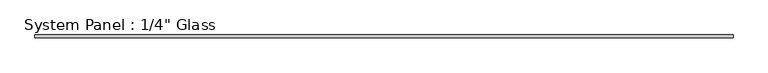
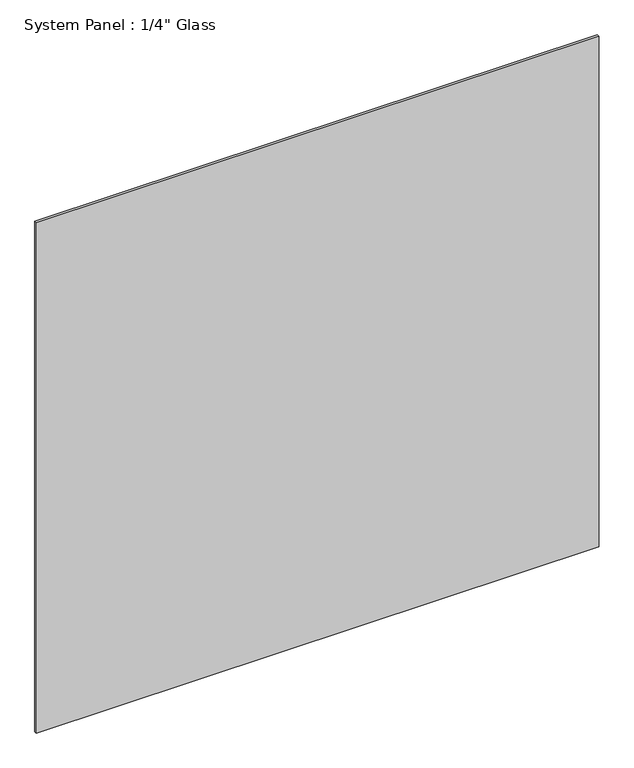
"""IFC4 building model written with IfcOpenShell, lengths in millimetres: plate geometry."""

import ifcopenshell
import ifcopenshell.guid

model = None  # the IFC model being written
_history = None  # IfcOwnerHistory: only IFC2X3 demands one
_inside = {}  # id of a spatial element -> (the spatial element, [elements in it])
_under = {}  # id of a project, library or spatial element -> (it, [spatial elements below it])
_declared = {}  # id of a project -> (the project, [libraries it declares])
_typed = {}  # id of a type object -> (the type object, [elements of that type])
_made_of = {}  # id of a material, layer set ... -> (it, [elements and type objects made of it])


def new_model(schema):
    """Start an empty IFC model of exactly this schema.

    Asked for "IFC4X3", IfcOpenShell would pick the latest addendum, in which some entities
    have other attributes; the version numbers below select the first issue.
    IFC2X3 requires an IfcOwnerHistory on every rooted entity: one is made here for all.
    """
    global model, _history
    if schema == "IFC4X3":
        model = ifcopenshell.file(schema_version=(4, 3, 0, 0))
    else:
        model = ifcopenshell.file(schema=schema)
    _inside.clear()
    _under.clear()
    _declared.clear()
    _typed.clear()
    _made_of.clear()
    _history = None
    if model.schema == "IFC2X3":
        org = make("IfcOrganization", Name="unknown")
        user = make(
            "IfcPersonAndOrganization",
            ThePerson=make("IfcPerson", FamilyName="unknown"),
            TheOrganization=org,
        )
        app = make(
            "IfcApplication",
            ApplicationDeveloper=org,
            Version="unknown",
            ApplicationFullName="unknown",
            ApplicationIdentifier="unknown",
        )
        _history = make(
            "IfcOwnerHistory",
            OwningUser=user,
            OwningApplication=app,
            ChangeAction="ADDED",
            CreationDate=0,
        )
    return model


def make(cls, **values):
    """One entity of the class cls with the attributes given. An attribute that is None is left unset."""
    return model.create_entity(
        cls, **{name: value for name, value in values.items() if value is not None}
    )


def rooted(cls, **values):
    """An entity with a GlobalId (a new one), such as an element, a storey or a relation."""
    return make(cls, GlobalId=ifcopenshell.guid.new(), OwnerHistory=_history, **values)


def si_unit(unit_type, name, prefix=None):
    """IfcSIUnit, for example si_unit("LENGTHUNIT", "METRE", prefix="MILLI")."""
    return make("IfcSIUnit", UnitType=unit_type, Prefix=prefix, Name=name)


def assignment(units):
    """IfcUnitAssignment: the units of a project."""
    return None if units is None else make("IfcUnitAssignment", Units=units)


def point(xyz):
    """IfcCartesianPoint."""
    return None if xyz is None else make("IfcCartesianPoint", Coordinates=xyz)


def direction(xyz):
    """IfcDirection."""
    return None if xyz is None else make("IfcDirection", DirectionRatios=xyz)


def frame(location, z_axis=None, x_axis=None):
    """IfcAxis2Placement3D, a coordinate frame: its origin and axes. An axis left out is left unset."""
    return make(
        "IfcAxis2Placement3D",
        Location=point(location),
        Axis=direction(z_axis),
        RefDirection=direction(x_axis),
    )


def origin():
    """The frame at (0, 0, 0) with its axes left unset."""
    return frame((0.0, 0.0, 0.0))


def origin_with_axes():
    """The frame at (0, 0, 0) with the z axis (0, 0, 1) and the x axis (1, 0, 0) written out."""
    return frame((0.0, 0.0, 0.0), z_axis=(0.0, 0.0, 1.0), x_axis=(1.0, 0.0, 0.0))


def place(relative_to, where):
    """IfcLocalPlacement: puts the frame where relative to a parent placement (None: the world)."""
    return make(
        "IfcLocalPlacement", PlacementRelTo=relative_to, RelativePlacement=where
    )


def context(
    kind, dimensions, precision=None, world=None, true_north=None, identifier=None
):
    """IfcGeometricRepresentationContext, for example the 3D "Model" context."""
    return make(
        "IfcGeometricRepresentationContext",
        ContextIdentifier=identifier,
        ContextType=kind,
        CoordinateSpaceDimension=dimensions,
        Precision=precision,
        WorldCoordinateSystem=world,
        TrueNorth=true_north,
    )


def project(units=None, contexts=None):
    """IfcProject with its units and contexts."""
    return rooted(
        "IfcProject",
        Name="project",
        RepresentationContexts=contexts,
        UnitsInContext=assignment(units),
    )


def spatial(cls, under=None, at=None, **own):
    """A site, building, storey or space (cls), placed at a placement, below another one or the project."""
    s = rooted(cls, ObjectPlacement=at, **own)
    if under is not None:
        _under.setdefault(under.id(), (under, []))[1].append(s)
    return s


def polyline(points):
    """IfcPolyline through the points."""
    return make("IfcPolyline", Points=[point(p) for p in points])


def outline(outer, holes=None, kind="AREA"):
    """IfcArbitraryClosedProfileDef: a profile drawn as a closed curve; with holes, ...WithVoids."""
    if holes is None:
        return make("IfcArbitraryClosedProfileDef", ProfileType=kind, OuterCurve=outer)
    return make(
        "IfcArbitraryProfileDefWithVoids",
        ProfileType=kind,
        OuterCurve=outer,
        InnerCurves=holes,
    )


def extrude(swept, where, along, depth):
    """IfcExtrudedAreaSolid: the profile swept, set in the frame where, extruded along a direction by depth."""
    return make(
        "IfcExtrudedAreaSolid",
        SweptArea=swept,
        Position=where,
        ExtrudedDirection=direction(along),
        Depth=depth,
    )


def shape(context_of_items, identifier, shape_type, items):
    """IfcShapeRepresentation: the items that make up one representation, for example the "Body"."""
    return make(
        "IfcShapeRepresentation",
        ContextOfItems=context_of_items,
        RepresentationIdentifier=identifier,
        RepresentationType=shape_type,
        Items=items,
    )


def source(mapping_origin, context_of_items, identifier, shape_type, items):
    """IfcRepresentationMap: a shape defined once, which mapped items show again and again."""
    return make(
        "IfcRepresentationMap",
        MappingOrigin=mapping_origin,
        MappedRepresentation=shape(context_of_items, identifier, shape_type, items),
    )


def transform(
    local_origin,
    x_axis=None,
    y_axis=None,
    z_axis=None,
    scale=None,
    scale2=None,
    scale3=None,
    uniform=True,
):
    """IfcCartesianTransformationOperator3D, or its non-uniform kind. x_axis, y_axis, z_axis: its Axis1, 2, 3."""
    if uniform:
        return make(
            "IfcCartesianTransformationOperator3D",
            Axis1=direction(x_axis),
            Axis2=direction(y_axis),
            LocalOrigin=point(local_origin),
            Scale=scale,
            Axis3=direction(z_axis),
        )
    return make(
        "IfcCartesianTransformationOperator3DnonUniform",
        Axis1=direction(x_axis),
        Axis2=direction(y_axis),
        LocalOrigin=point(local_origin),
        Scale=scale,
        Axis3=direction(z_axis),
        Scale2=scale2,
        Scale3=scale3,
    )


def mapped(mapping_source, mapping_target):
    """IfcMappedItem: shows the shape of a source again, moved by a transform."""
    return make(
        "IfcMappedItem", MappingSource=mapping_source, MappingTarget=mapping_target
    )


def made_of(thing, what):
    """Note that an element or type object is made of a material, layer set ...; save() writes the relation."""
    if what is not None:
        _made_of.setdefault(what.id(), (what, []))[1].append(thing)
    return thing


def element(
    cls,
    number,
    at=None,
    inside=None,
    cuts=None,
    type_object=None,
    material=None,
    context=None,
    identifier="Body",
    shape_type=None,
    held_by="IfcProductDefinitionShape",
    body=None,
    shapes=None,
    **own,
):
    """One element of the class cls, such as IfcWall. Its Tag is "e" and its number.

    at: its placement. inside: the storey or other place that contains it. cuts: it is an
    opening in that element (IfcRelVoidsElement). A single representation is given by context,
    identifier, shape_type and body (its items); several are given by shapes. held_by: the class
    of the entity that holds the representations. save() writes the other relations.
    """
    e = rooted(cls, Tag="e%d" % number, ObjectPlacement=at, **own)
    if body is not None:
        shapes = [shape(context, identifier, shape_type, body)]
    if shapes is not None:
        e.Representation = make(held_by, Representations=shapes)
    if inside is not None:
        _inside.setdefault(inside.id(), (inside, []))[1].append(e)
    if cuts is not None:
        rooted(
            "IfcRelVoidsElement", RelatingBuildingElement=cuts, RelatedOpeningElement=e
        )
    if type_object is not None:
        _typed.setdefault(type_object.id(), (type_object, []))[1].append(e)
    return made_of(e, material)


def aggregate(whole, parts):
    """IfcRelAggregates: a whole, such as a stair, and the parts it consists of."""
    return rooted("IfcRelAggregates", RelatingObject=whole, RelatedObjects=parts)


def save(model, path):
    """Write the relations noted so far, then the file.

    IfcRelAggregates (storeys below a building ...), IfcRelContainedInSpatialStructure (elements
    in a storey), IfcRelDefinesByType, IfcRelAssociatesMaterial and IfcRelDeclares: one each for
    every whole, place, type object, material and project.
    """
    for whole, parts in _under.values():
        aggregate(whole, parts)
    for where, things in _inside.values():
        rooted(
            "IfcRelContainedInSpatialStructure",
            RelatedElements=things,
            RelatingStructure=where,
        )
    for kind, things in _typed.values():
        rooted("IfcRelDefinesByType", RelatedObjects=things, RelatingType=kind)
    for what, things in _made_of.values():
        rooted("IfcRelAssociatesMaterial", RelatedObjects=things, RelatingMaterial=what)
    for by, libraries in _declared.values():
        rooted("IfcRelDeclares", RelatingContext=by, RelatedDefinitions=libraries)
    model.write(path)


def plate_d177da27(model_context):
    return source(origin(), model_context, "Body", "SweptSolid", [
        extrude(outline(polyline([(734.0055865, -3.175), (-734.0055865, -3.175), (-734.0055865, 3.175), (734.0055865, 3.175), (734.0055865, -3.175)])), origin_with_axes(), (0.0, 0.0, 1.0), 1407.0511731),
    ])


if __name__ == "__main__":
    model = new_model("IFC4")
    model_context = context("Model", 3, world=origin())
    ifc_project = project(units=[si_unit("LENGTHUNIT", "METRE", prefix="MILLI")], contexts=[model_context])
    site = spatial("IfcSite", under=ifc_project)
    building = spatial("IfcBuilding", under=site)
    placement = place(None, origin())
    plate_shape = plate_d177da27(model_context)
    element("IfcPlate", 1, ObjectType="System Panel : 1/4\" Glass", at=placement, inside=building, context=model_context, shape_type="MappedRepresentation", body=[
        mapped(plate_shape, transform((0.0, 0.0, 0.0), x_axis=(1.0, 0.0, 0.0), y_axis=(0.0, 1.0, 0.0), z_axis=(0.0, 0.0, 1.0))),
    ])
    save(model, "model.ifc")
